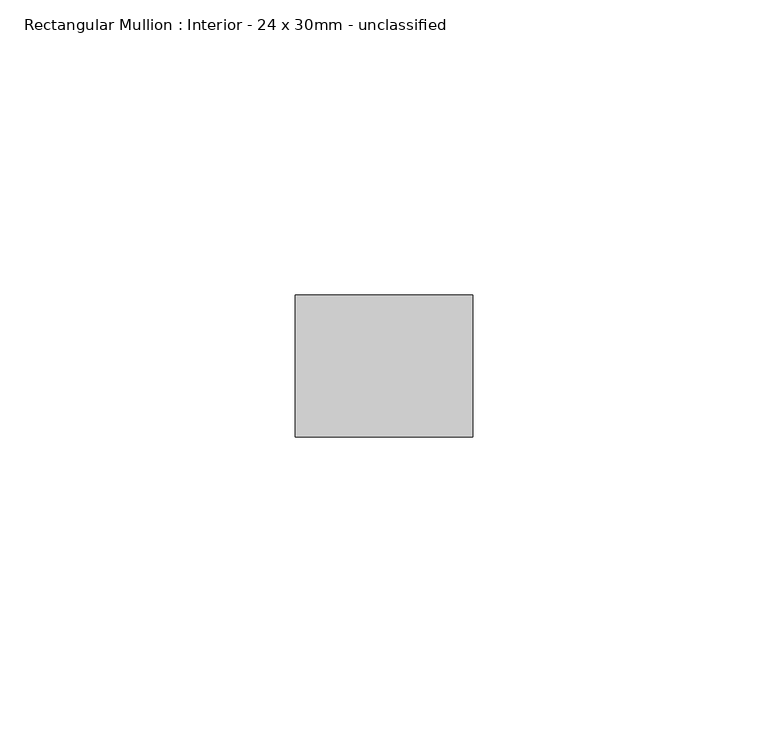
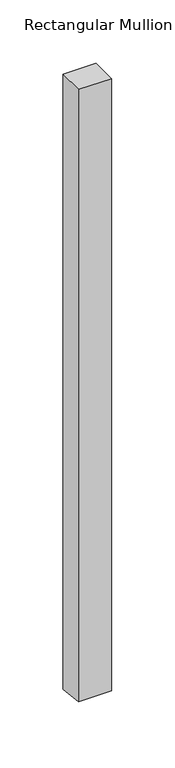
"""IFC4 building model written with IfcOpenShell, lengths in millimetres: member geometry, Rectangular Mullion : Interior - 24 x 30mm - unclassified."""

import ifcopenshell
import ifcopenshell.guid

model = None  # the IFC model being written
_history = None  # IfcOwnerHistory: only IFC2X3 demands one
_inside = {}  # id of a spatial element -> (the spatial element, [elements in it])
_under = {}  # id of a project, library or spatial element -> (it, [spatial elements below it])
_declared = {}  # id of a project -> (the project, [libraries it declares])
_typed = {}  # id of a type object -> (the type object, [elements of that type])
_made_of = {}  # id of a material, layer set ... -> (it, [elements and type objects made of it])


def new_model(schema):
    """Start an empty IFC model of exactly this schema.

    Asked for "IFC4X3", IfcOpenShell would pick the latest addendum, in which some entities
    have other attributes; the version numbers below select the first issue.
    IFC2X3 requires an IfcOwnerHistory on every rooted entity: one is made here for all.
    """
    global model, _history
    if schema == "IFC4X3":
        model = ifcopenshell.file(schema_version=(4, 3, 0, 0))
    else:
        model = ifcopenshell.file(schema=schema)
    _inside.clear()
    _under.clear()
    _declared.clear()
    _typed.clear()
    _made_of.clear()
    _history = None
    if model.schema == "IFC2X3":
        org = make("IfcOrganization", Name="unknown")
        user = make(
            "IfcPersonAndOrganization",
            ThePerson=make("IfcPerson", FamilyName="unknown"),
            TheOrganization=org,
        )
        app = make(
            "IfcApplication",
            ApplicationDeveloper=org,
            Version="unknown",
            ApplicationFullName="unknown",
            ApplicationIdentifier="unknown",
        )
        _history = make(
            "IfcOwnerHistory",
            OwningUser=user,
            OwningApplication=app,
            ChangeAction="ADDED",
            CreationDate=0,
        )
    return model


def make(cls, **values):
    """One entity of the class cls with the attributes given. An attribute that is None is left unset."""
    return model.create_entity(
        cls, **{name: value for name, value in values.items() if value is not None}
    )


def rooted(cls, **values):
    """An entity with a GlobalId (a new one), such as an element, a storey or a relation."""
    return make(cls, GlobalId=ifcopenshell.guid.new(), OwnerHistory=_history, **values)


def si_unit(unit_type, name, prefix=None):
    """IfcSIUnit, for example si_unit("LENGTHUNIT", "METRE", prefix="MILLI")."""
    return make("IfcSIUnit", UnitType=unit_type, Prefix=prefix, Name=name)


def assignment(units):
    """IfcUnitAssignment: the units of a project."""
    return None if units is None else make("IfcUnitAssignment", Units=units)


def point(xyz):
    """IfcCartesianPoint."""
    return None if xyz is None else make("IfcCartesianPoint", Coordinates=xyz)


def direction(xyz):
    """IfcDirection."""
    return None if xyz is None else make("IfcDirection", DirectionRatios=xyz)


def frame(location, z_axis=None, x_axis=None):
    """IfcAxis2Placement3D, a coordinate frame: its origin and axes. An axis left out is left unset."""
    return make(
        "IfcAxis2Placement3D",
        Location=point(location),
        Axis=direction(z_axis),
        RefDirection=direction(x_axis),
    )


def origin():
    """The frame at (0, 0, 0) with its axes left unset."""
    return frame((0.0, 0.0, 0.0))


def place(relative_to, where):
    """IfcLocalPlacement: puts the frame where relative to a parent placement (None: the world)."""
    return make(
        "IfcLocalPlacement", PlacementRelTo=relative_to, RelativePlacement=where
    )


def context(
    kind, dimensions, precision=None, world=None, true_north=None, identifier=None
):
    """IfcGeometricRepresentationContext, for example the 3D "Model" context."""
    return make(
        "IfcGeometricRepresentationContext",
        ContextIdentifier=identifier,
        ContextType=kind,
        CoordinateSpaceDimension=dimensions,
        Precision=precision,
        WorldCoordinateSystem=world,
        TrueNorth=true_north,
    )


def project(units=None, contexts=None):
    """IfcProject with its units and contexts."""
    return rooted(
        "IfcProject",
        Name="project",
        RepresentationContexts=contexts,
        UnitsInContext=assignment(units),
    )


def spatial(cls, under=None, at=None, **own):
    """A site, building, storey or space (cls), placed at a placement, below another one or the project."""
    s = rooted(cls, ObjectPlacement=at, **own)
    if under is not None:
        _under.setdefault(under.id(), (under, []))[1].append(s)
    return s


def polyline(points):
    """IfcPolyline through the points."""
    return make("IfcPolyline", Points=[point(p) for p in points])


def outline(outer, holes=None, kind="AREA"):
    """IfcArbitraryClosedProfileDef: a profile drawn as a closed curve; with holes, ...WithVoids."""
    if holes is None:
        return make("IfcArbitraryClosedProfileDef", ProfileType=kind, OuterCurve=outer)
    return make(
        "IfcArbitraryProfileDefWithVoids",
        ProfileType=kind,
        OuterCurve=outer,
        InnerCurves=holes,
    )


def extrude(swept, where, along, depth):
    """IfcExtrudedAreaSolid: the profile swept, set in the frame where, extruded along a direction by depth."""
    return make(
        "IfcExtrudedAreaSolid",
        SweptArea=swept,
        Position=where,
        ExtrudedDirection=direction(along),
        Depth=depth,
    )


def shape(context_of_items, identifier, shape_type, items):
    """IfcShapeRepresentation: the items that make up one representation, for example the "Body"."""
    return make(
        "IfcShapeRepresentation",
        ContextOfItems=context_of_items,
        RepresentationIdentifier=identifier,
        RepresentationType=shape_type,
        Items=items,
    )


def source(mapping_origin, context_of_items, identifier, shape_type, items):
    """IfcRepresentationMap: a shape defined once, which mapped items show again and again."""
    return make(
        "IfcRepresentationMap",
        MappingOrigin=mapping_origin,
        MappedRepresentation=shape(context_of_items, identifier, shape_type, items),
    )


def transform(
    local_origin,
    x_axis=None,
    y_axis=None,
    z_axis=None,
    scale=None,
    scale2=None,
    scale3=None,
    uniform=True,
):
    """IfcCartesianTransformationOperator3D, or its non-uniform kind. x_axis, y_axis, z_axis: its Axis1, 2, 3."""
    if uniform:
        return make(
            "IfcCartesianTransformationOperator3D",
            Axis1=direction(x_axis),
            Axis2=direction(y_axis),
            LocalOrigin=point(local_origin),
            Scale=scale,
            Axis3=direction(z_axis),
        )
    return make(
        "IfcCartesianTransformationOperator3DnonUniform",
        Axis1=direction(x_axis),
        Axis2=direction(y_axis),
        LocalOrigin=point(local_origin),
        Scale=scale,
        Axis3=direction(z_axis),
        Scale2=scale2,
        Scale3=scale3,
    )


def mapped(mapping_source, mapping_target):
    """IfcMappedItem: shows the shape of a source again, moved by a transform."""
    return make(
        "IfcMappedItem", MappingSource=mapping_source, MappingTarget=mapping_target
    )


def made_of(thing, what):
    """Note that an element or type object is made of a material, layer set ...; save() writes the relation."""
    if what is not None:
        _made_of.setdefault(what.id(), (what, []))[1].append(thing)
    return thing


def element(
    cls,
    number,
    at=None,
    inside=None,
    cuts=None,
    type_object=None,
    material=None,
    context=None,
    identifier="Body",
    shape_type=None,
    held_by="IfcProductDefinitionShape",
    body=None,
    shapes=None,
    **own,
):
    """One element of the class cls, such as IfcWall. Its Tag is "e" and its number.

    at: its placement. inside: the storey or other place that contains it. cuts: it is an
    opening in that element (IfcRelVoidsElement). A single representation is given by context,
    identifier, shape_type and body (its items); several are given by shapes. held_by: the class
    of the entity that holds the representations. save() writes the other relations.
    """
    e = rooted(cls, Tag="e%d" % number, ObjectPlacement=at, **own)
    if body is not None:
        shapes = [shape(context, identifier, shape_type, body)]
    if shapes is not None:
        e.Representation = make(held_by, Representations=shapes)
    if inside is not None:
        _inside.setdefault(inside.id(), (inside, []))[1].append(e)
    if cuts is not None:
        rooted(
            "IfcRelVoidsElement", RelatingBuildingElement=cuts, RelatedOpeningElement=e
        )
    if type_object is not None:
        _typed.setdefault(type_object.id(), (type_object, []))[1].append(e)
    return made_of(e, material)


def aggregate(whole, parts):
    """IfcRelAggregates: a whole, such as a stair, and the parts it consists of."""
    return rooted("IfcRelAggregates", RelatingObject=whole, RelatedObjects=parts)


def save(model, path):
    """Write the relations noted so far, then the file.

    IfcRelAggregates (storeys below a building ...), IfcRelContainedInSpatialStructure (elements
    in a storey), IfcRelDefinesByType, IfcRelAssociatesMaterial and IfcRelDeclares: one each for
    every whole, place, type object, material and project.
    """
    for whole, parts in _under.values():
        aggregate(whole, parts)
    for where, things in _inside.values():
        rooted(
            "IfcRelContainedInSpatialStructure",
            RelatedElements=things,
            RelatingStructure=where,
        )
    for kind, things in _typed.values():
        rooted("IfcRelDefinesByType", RelatedObjects=things, RelatingType=kind)
    for what, things in _made_of.values():
        rooted("IfcRelAssociatesMaterial", RelatedObjects=things, RelatingMaterial=what)
    for by, libraries in _declared.values():
        rooted("IfcRelDeclares", RelatingContext=by, RelatedDefinitions=libraries)
    model.write(path)


def rectangular_mullion_interior_24_x_30mm_unclassified_df342cae(model_context):
    return source(origin(), model_context, "Body", "SweptSolid", [
        extrude(outline(polyline([(-12.0, 0.0), (12.0, 0.0), (12.0, -591.667709), (-12.0, -589.1062877), (-12.0, 0.0)])), frame((-30.0, 0.0, 0.0), z_axis=(1.0, 0.0, 0.0), x_axis=(0.0, 1.0, 0.0)), (0.0, 0.0, 1.0), 30.0),
    ])


if __name__ == "__main__":
    model = new_model("IFC4")
    model_context = context("Model", 3, world=origin())
    ifc_project = project(units=[si_unit("LENGTHUNIT", "METRE", prefix="MILLI")], contexts=[model_context])
    site = spatial("IfcSite", under=ifc_project)
    building = spatial("IfcBuilding", under=site)
    placement = place(None, origin())
    rectangular_mullion_interior_24_x_30mm_unclassified_shape = rectangular_mullion_interior_24_x_30mm_unclassified_df342cae(model_context)
    element("IfcMember", 1, ObjectType="Rectangular Mullion : Interior - 24 x 30mm - unclassified", at=placement, inside=building, context=model_context, shape_type="MappedRepresentation", body=[
        mapped(rectangular_mullion_interior_24_x_30mm_unclassified_shape, transform((0.0, 0.0, 0.0), x_axis=(1.0, 0.0, 0.0), y_axis=(0.0, 1.0, 0.0), z_axis=(0.0, 0.0, 1.0))),
    ])
    save(model, "model.ifc")
